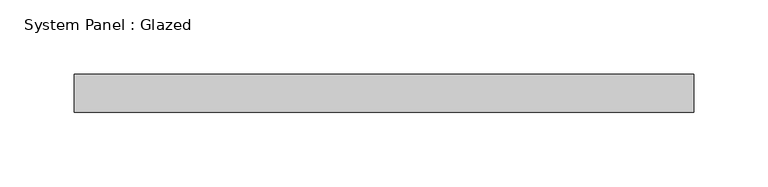
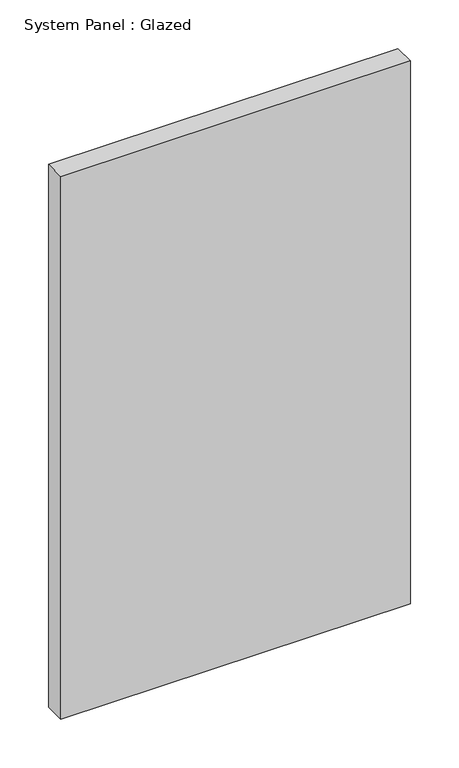
"""IFC4 building model written with IfcOpenShell, lengths in millimetres: plate geometry, System Panel : Glazed."""

from ifc_helpers import new_model, si_unit, origin, origin_with_axes, place, context, project, spatial, polyline, outline, extrude, source, transform, mapped, element, save


def system_panel_glazed_dc5de151(model_context):
    return source(origin(), model_context, "Body", "SweptSolid", [
        extrude(outline(polyline([(207.9625, -12.7), (-207.9625, -12.7), (-207.9625, 12.7), (207.9625, 12.7), (207.9625, -12.7)])), origin_with_axes(), (0.0, 0.0, 1.0), 682.625),
    ])


if __name__ == "__main__":
    model = new_model("IFC4")
    model_context = context("Model", 3, world=origin())
    ifc_project = project(units=[si_unit("LENGTHUNIT", "METRE", prefix="MILLI")], contexts=[model_context])
    site = spatial("IfcSite", under=ifc_project)
    building = spatial("IfcBuilding", under=site)
    placement = place(None, origin())
    system_panel_glazed_shape = system_panel_glazed_dc5de151(model_context)
    element("IfcPlate", 1, ObjectType="System Panel : Glazed", at=placement, inside=building, context=model_context, shape_type="MappedRepresentation", body=[
        mapped(system_panel_glazed_shape, transform((0.0, 0.0, 0.0), x_axis=(1.0, 0.0, 0.0), y_axis=(0.0, 1.0, 0.0), z_axis=(0.0, 0.0, 1.0))),
    ])
    save(model, "model.ifc")
